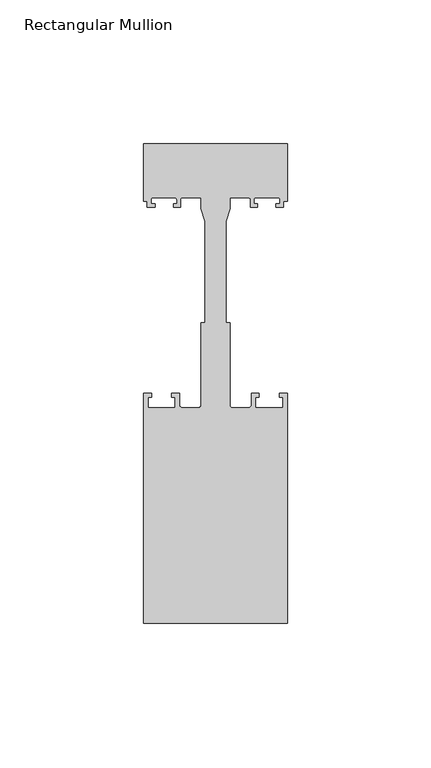
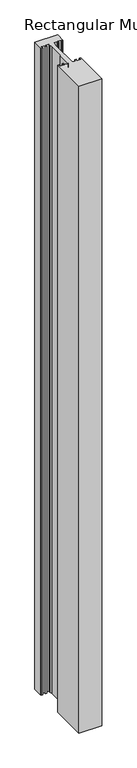
"""IFC4 building model written with IfcOpenShell, lengths in millimetres: member geometry, Rectangular Mullion."""

from ifc_helpers import new_model, si_unit, point, frame, frame_2d, origin, place, context, project, spatial, polyline, circle_curve, trimmed, segment, composite_curve, outline, extrude, source, transform, mapped, element, save


def rectangular_mullion_404bb70e(model_context):
    return source(origin(), model_context, "Body", "SweptSolid", [
        extrude(outline(composite_curve([segment(polyline([(-25.0, -74.5), (-25.0, 5.5), (-22.2, 5.5), (-22.2, 4.2), (-23.5, 4.2), (-23.5, 0.5), (-14.0, 0.5), (-14.0, 4.2), (-15.2, 4.2), (-15.2, 5.5), (-12.5, 5.5), (-12.5, 1.5)]), True, "CONTINUOUS"), segment(trimmed(circle_curve(frame_2d((-11.5, 1.5)), 1.0), [point((-12.5, 1.5))], [point((-11.5, 0.5))], True, "CARTESIAN"), True, "CONTINUOUS"), segment(polyline([(-11.5, 0.5), (-6.0, 0.5)]), True, "CONTINUOUS"), segment(trimmed(circle_curve(frame_2d((-6.0, 1.5)), 1.0), [point((-6.0, 0.5))], [point((-5.0, 1.5))], True, "CARTESIAN"), True, "CONTINUOUS"), segment(polyline([(-5.0, 1.5), (-5.0, 30.0), (-3.7, 30.0), (-3.7, 65.3046824), (-5.0, 69.6597214), (-5.0, 73.5), (-11.65, 73.5)]), True, "CONTINUOUS"), segment(trimmed(circle_curve(frame_2d((-11.65, 73.0)), 0.5), [point((-11.65, 73.5))], [point((-12.15, 73.0))], True, "CARTESIAN"), True, "CONTINUOUS"), segment(polyline([(-12.15, 73.0), (-12.15, 70.3), (-14.55, 70.3), (-14.55, 71.5), (-13.45, 71.5), (-13.45, 73.0)]), True, "CONTINUOUS"), segment(trimmed(circle_curve(frame_2d((-13.95, 73.0)), 0.5), [point((-13.45, 73.0))], [point((-13.95, 73.5))], True, "CARTESIAN"), True, "CONTINUOUS"), segment(polyline([(-13.95, 73.5), (-21.95, 73.5)]), True, "CONTINUOUS"), segment(trimmed(circle_curve(frame_2d((-21.95, 73.0)), 0.5), [point((-21.95, 73.5))], [point((-22.45, 73.0))], True, "CARTESIAN"), True, "CONTINUOUS"), segment(polyline([(-22.45, 73.0), (-22.45, 71.5), (-21.05, 71.5), (-21.05, 70.3), (-23.75, 70.3), (-23.75, 72.3), (-25.0, 72.3), (-25.0, 92.3), (25.0, 92.3), (25.0, 72.3), (23.75, 72.3), (23.75, 70.3), (21.05, 70.3), (21.05, 71.5), (22.45, 71.5), (22.45, 73.0)]), True, "CONTINUOUS"), segment(trimmed(circle_curve(frame_2d((21.95, 73.0)), 0.5), [point((22.45, 73.0))], [point((21.95, 73.5))], True, "CARTESIAN"), True, "CONTINUOUS"), segment(polyline([(21.95, 73.5), (13.95, 73.5)]), True, "CONTINUOUS"), segment(trimmed(circle_curve(frame_2d((13.95, 73.0)), 0.5), [point((13.95, 73.5))], [point((13.45, 73.0))], True, "CARTESIAN"), True, "CONTINUOUS"), segment(polyline([(13.45, 73.0), (13.45, 71.5), (14.55, 71.5), (14.55, 70.3), (12.15, 70.3), (12.15, 73.0)]), True, "CONTINUOUS"), segment(trimmed(circle_curve(frame_2d((11.65, 73.0)), 0.5), [point((12.15, 73.0))], [point((11.65, 73.5))], True, "CARTESIAN"), True, "CONTINUOUS"), segment(polyline([(11.65, 73.5), (5.0, 73.5), (5.0, 69.6597214), (3.7, 65.3046824), (3.7, 30.0), (5.0, 30.0), (5.0, 1.5)]), True, "CONTINUOUS"), segment(trimmed(circle_curve(frame_2d((6.0, 1.5)), 1.0), [point((5.0, 1.5))], [point((6.0, 0.5))], True, "CARTESIAN"), True, "CONTINUOUS"), segment(polyline([(6.0, 0.5), (11.5, 0.5)]), True, "CONTINUOUS"), segment(trimmed(circle_curve(frame_2d((11.5, 1.5)), 1.0), [point((11.5, 0.5))], [point((12.5, 1.5))], True, "CARTESIAN"), True, "CONTINUOUS"), segment(polyline([(12.5, 1.5), (12.5, 5.5), (15.2, 5.5), (15.2, 4.2), (14.0, 4.2), (14.0, 0.5), (23.5, 0.5), (23.5, 4.2), (22.2, 4.2), (22.2, 5.5), (25.0, 5.5), (25.0, -74.5), (-25.0, -74.5)]), True, "CONTINUOUS")], self_intersect=False)), frame((0.0, 0.0, -1500.0), z_axis=(0.0, 0.0, 1.0), x_axis=(1.0, 0.0, 0.0)), (0.0, 0.0, 1.0), 1500.0),
    ])


if __name__ == "__main__":
    model = new_model("IFC4")
    model_context = context("Model", 3, world=origin())
    ifc_project = project(units=[si_unit("LENGTHUNIT", "METRE", prefix="MILLI")], contexts=[model_context])
    site = spatial("IfcSite", under=ifc_project)
    building = spatial("IfcBuilding", under=site)
    placement = place(None, origin())
    rectangular_mullion_shape = rectangular_mullion_404bb70e(model_context)
    element("IfcMember", 1, ObjectType="Rectangular Mullion", at=placement, inside=building, context=model_context, shape_type="MappedRepresentation", body=[
        mapped(rectangular_mullion_shape, transform((0.0, 0.0, 0.0), x_axis=(1.0, 0.0, 0.0), y_axis=(0.0, 1.0, 0.0), z_axis=(0.0, 0.0, 1.0))),
    ])
    save(model, "model.ifc")
